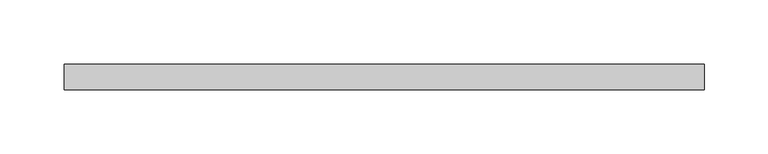
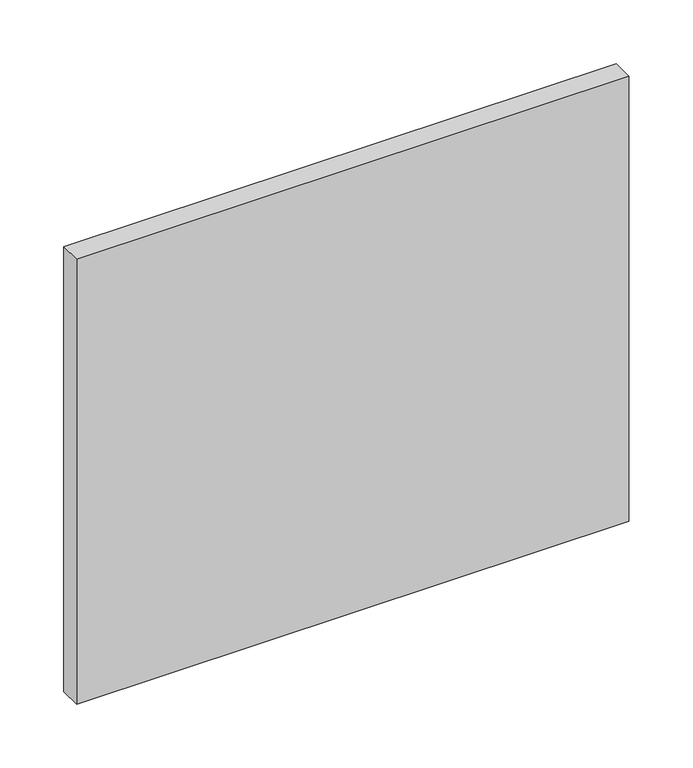
"""IFC4 building model written with IfcOpenShell, lengths in millimetres: plate geometry."""

from ifc_helpers import new_model, si_unit, origin, origin_with_axes, place, context, project, spatial, polyline, outline, extrude, source, transform, mapped, element, save


def plate_b79df3d6(model_context):
    return source(origin(), model_context, "Body", "SweptSolid", [
        extrude(outline(polyline([(250.0, -90.0), (-250.0, -90.0), (-250.0, -70.0), (250.0, -70.0), (250.0, -90.0)])), origin_with_axes(), (0.0, 0.0, 1.0), 425.8552083),
    ])


if __name__ == "__main__":
    model = new_model("IFC4")
    model_context = context("Model", 3, world=origin())
    ifc_project = project(units=[si_unit("LENGTHUNIT", "METRE", prefix="MILLI")], contexts=[model_context])
    site = spatial("IfcSite", under=ifc_project)
    building = spatial("IfcBuilding", under=site)
    placement = place(None, origin())
    plate_shape = plate_b79df3d6(model_context)
    element("IfcPlate", 1, at=placement, inside=building, context=model_context, shape_type="MappedRepresentation", body=[
        mapped(plate_shape, transform((0.0, 0.0, 0.0), x_axis=(1.0, 0.0, 0.0), y_axis=(0.0, 1.0, 0.0), z_axis=(0.0, 0.0, 1.0))),
    ])
    save(model, "model.ifc")
